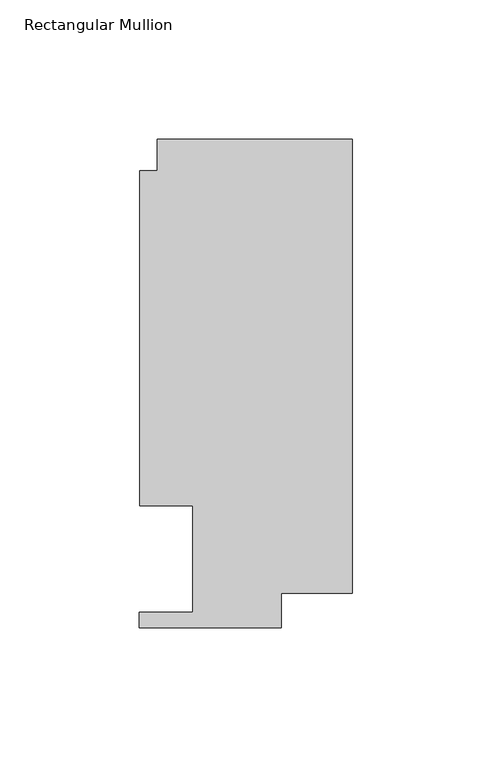
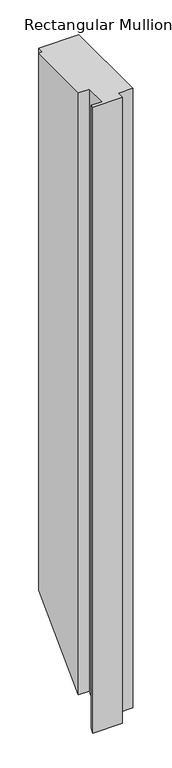
"""IFC4 building model written with IfcOpenShell, lengths in millimetres: member geometry, Rectangular Mullion."""

from ifc_helpers import new_model, si_unit, origin, place, context, project, spatial, faceted_brep, source, transform, mapped, element, save


def rectangular_mullion_ef79e9c7(model_context):
    return source(origin(), model_context, "Body", "Brep", [
        faceted_brep([(-69.8417664, 163.068, 0.0), (-69.8417664, 151.892, 0.0), (-76.1917663, 151.892, 0.0), (-76.1917663, 31.75, 0.0), (-57.1417663, 31.75, 0.0), (-57.1417663, -6.35, 0.0), (-76.2171663, -6.35, 0.0), (-76.2171663, -12.065, 0.0), (-25.4044662, -12.065, 0.0), (-25.4044662, 0.3801778, 0.0), (0.0, 0.3801778, 0.0), (0.0, 163.068, 0.0), (-69.8417664, 163.068, -977.392), (-69.8417664, 151.892, -988.568), (-76.1917663, 151.892, -988.568), (-76.1917663, 31.75, -1108.71), (-57.1417663, 31.75, -1108.71), (-57.1417663, -6.35, -1146.81), (-76.2171663, -6.35, -1146.81), (-76.2171663, -12.065, -1152.525), (-25.4044662, -12.065, -1152.525), (-25.4044662, 0.3801778, -1140.0798222), (0.0, 0.3801778, -1140.0798222), (0.0, 163.068, -977.392)], [[[0, 1, 2, 3, 4, 5, 6, 7, 8, 9, 10, 11]], [[1, 0, 12, 13]], [[2, 1, 13, 14]], [[3, 2, 14, 15]], [[4, 3, 15, 16]], [[5, 4, 16, 17]], [[6, 5, 17, 18]], [[7, 6, 18, 19]], [[8, 7, 19, 20]], [[9, 8, 20, 21]], [[10, 9, 21, 22]], [[11, 10, 22, 23]], [[0, 11, 23, 12]], [[12, 23, 22, 21, 20, 19, 18, 17, 16, 15, 14, 13]]]),
    ])


if __name__ == "__main__":
    model = new_model("IFC4")
    model_context = context("Model", 3, world=origin())
    ifc_project = project(units=[si_unit("LENGTHUNIT", "METRE", prefix="MILLI")], contexts=[model_context])
    site = spatial("IfcSite", under=ifc_project)
    building = spatial("IfcBuilding", under=site)
    placement = place(None, origin())
    rectangular_mullion_shape = rectangular_mullion_ef79e9c7(model_context)
    element("IfcMember", 1, ObjectType="Rectangular Mullion", at=placement, inside=building, context=model_context, shape_type="MappedRepresentation", body=[
        mapped(rectangular_mullion_shape, transform((0.0, 0.0, 0.0), x_axis=(1.0, 0.0, 0.0), y_axis=(0.0, 1.0, 0.0), z_axis=(0.0, 0.0, 1.0))),
    ])
    save(model, "model.ifc")
